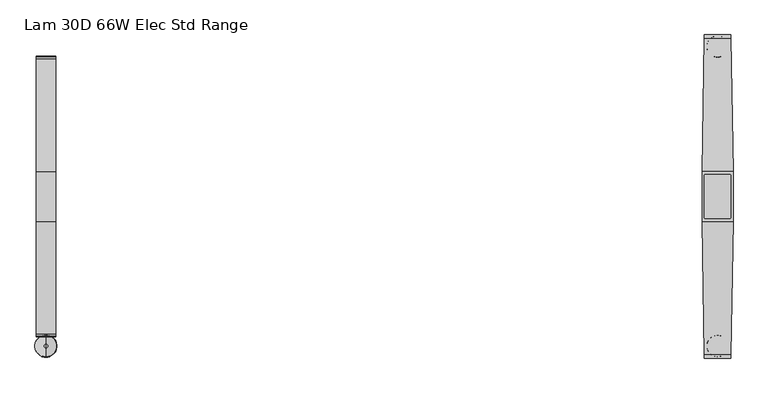
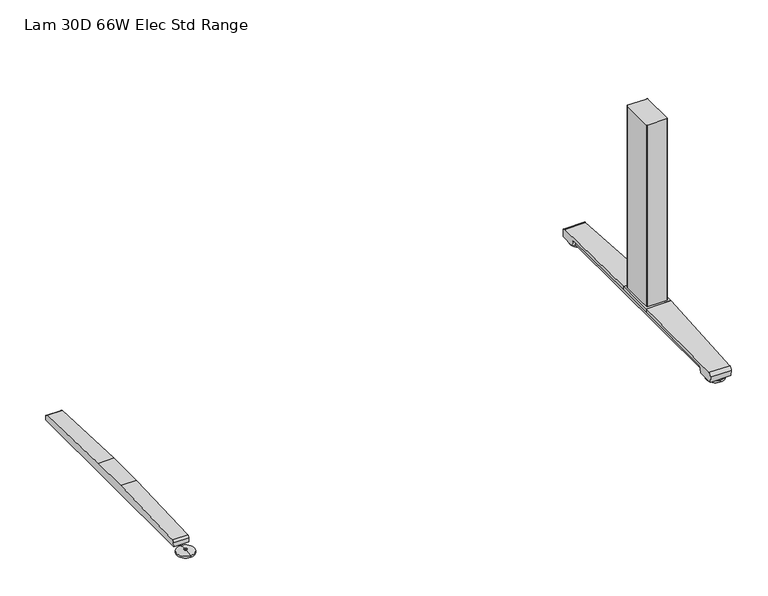
"""IFC4 building model written with IfcOpenShell, lengths in millimetres: furniture geometry, Lam 30D 66W Elec Std Range."""

from ifc_helpers import new_model, si_unit, point, frame, frame_2d, origin, place, context, project, spatial, polyline, circle_curve, ellipse_curve, trimmed, segment, composite_curve, outline, extrude, source, transform, mapped, element, save
from ifc_brep_helpers import plane_surface, cylinder_surface, revolved_surface, advanced_brep


def lam_30d_66w_elec_std_range_058907ba(model_context):
    return source(origin(), model_context, "Body", "SolidModel", [
        advanced_brep(
        [(-760.476, -364.1643617, 0.0), (-760.476, -313.9743384, 0.0), (-760.476, -339.06935, 0.0), (-760.476, -364.0796512, 5.0038001), (-760.476, -314.0590489, 5.0038001), (-760.476, -343.0698499, 8.4327997), (-760.476, -335.0688501, 8.4327997), (-760.476, -343.0698499, 10.0423733), (-760.476, -335.0688501, 10.0423733), (-760.476, -339.06935, 10.0423733)],
        [
            (0, 1, circle_curve(frame((-760.476, -339.06935, 0.0), z_axis=(0.0, 0.0, -1.0), x_axis=(0.0, 1.0, 0.0)), 25.0950117)),
            (1, 2),
            (2, 0),
            (1, 0, circle_curve(frame((-760.476, -339.06935, 0.0), z_axis=(0.0, 0.0, -1.0), x_axis=(0.0, 1.0, 0.0)), 25.0950117)),
            (3, 4, circle_curve(frame((-760.476, -339.06935, 5.0038001), z_axis=(0.0, 0.0, -1.0), x_axis=(0.0, 1.0, 0.0)), 25.0103012)),
            (4, 1),
            (0, 3),
            (4, 3, circle_curve(frame((-760.476, -339.06935, 5.0038001), z_axis=(0.0, 0.0, -1.0), x_axis=(0.0, 1.0, 0.0)), 25.0103012)),
            (5, 6, circle_curve(frame((-760.476, -339.06935, 8.4327997), z_axis=(0.0, 0.0, -1.0), x_axis=(0.0, 1.0, 0.0)), 4.0004999)),
            (6, 4, circle_curve(frame((-760.476, -335.0368668, -57.4502444), z_axis=(-1.0, 0.0, 0.0), x_axis=(0.0, 1.0, 0.0)), 65.8830518)),
            (3, 5, circle_curve(frame((-760.476, -343.1018333, -57.4502444), z_axis=(-1.0, 0.0, 0.0), x_axis=(0.0, -1.0, 0.0)), 65.8830518)),
            (6, 5, circle_curve(frame((-760.476, -339.06935, 8.4327997), z_axis=(0.0, 0.0, -1.0), x_axis=(0.0, 1.0, 0.0)), 4.0004999)),
            (7, 8, circle_curve(frame((-760.476, -339.06935, 10.0423733), z_axis=(0.0, 0.0, -1.0), x_axis=(0.0, 1.0, 0.0)), 4.0004999)),
            (8, 6),
            (5, 7),
            (8, 7, circle_curve(frame((-760.476, -339.06935, 10.0423733), z_axis=(0.0, 0.0, -1.0), x_axis=(0.0, 1.0, 0.0)), 4.0004999)),
            (9, 8),
            (7, 9),
        ],
        [
            plane_surface(frame((-760.476, -339.06935, 0.0), z_axis=(0.0, 0.0, -1.0), x_axis=(0.0, 1.0, 0.0))),
            revolved_surface(polyline([(-760.476, -313.9743384, 0.0), (-760.476, -314.0590489, 5.0038001)]), (-760.476, -339.06935, 0.0), (0.0, 0.0, 1.0)),
            revolved_surface(trimmed(ellipse_curve(frame((-760.476, -335.0368668, -57.4502444), z_axis=(1.0, 0.0, 0.0), x_axis=(0.0, 1.0, 0.0)), 65.8830518, 65.8830518), [point((-760.476, -314.0590489, 5.0038001))], [point((-760.476, -335.0688501, 8.4327997))], True, "CARTESIAN"), (-760.476, -339.06935, 0.0), (0.0, 0.0, 1.0)),
            cylinder_surface(frame((-760.476, -339.06935, 0.0), z_axis=(0.0, 0.0, 1.0), x_axis=(0.0, 1.0, 0.0)), 4.0004999),
            plane_surface(frame((-760.476, -339.06935, 10.0423733), z_axis=(0.0, 0.0, 1.0), x_axis=(0.0, 1.0, 0.0))),
        ],
        [
            (0, [[1, 2, 3]]),
            (0, [[4, -3, -2]]),
            (1, [[5, 6, -1, 7]]),
            (1, [[8, -7, -4, -6]]),
            (2, [[9, 10, -5, 11]]),
            (2, [[12, -11, -8, -10]]),
            (3, [[13, 14, -9, 15]]),
            (3, [[16, -15, -12, -14]]),
            (4, [[17, -13, 18]]),
            (4, [[-18, -16, -17]]),
        ],
    ),
        extrude(outline(composite_curve([segment(polyline([(317.3152602, 22.833301), (318.3038309, 11.5339019), (-318.3038309, 11.5339019), (-317.3152602, 22.833301)]), True, "CONTINUOUS"), segment(trimmed(circle_curve(frame_2d((-310.4929906, 22.2364289)), 6.8483297), [point((-317.3152602, 22.833301))], [point((-311.3603185, 29.0296138))], False, "CARTESIAN"), True, "CONTINUOUS"), segment(polyline([(-311.3603185, 29.0296138), (-56.1182127, 38.9541198), (56.1182127, 38.9541198), (311.3603185, 29.0296138)]), True, "CONTINUOUS"), segment(trimmed(circle_curve(frame_2d((310.4929906, 22.2364289)), 6.8483297), [point((311.3603185, 29.0296138))], [point((317.3152602, 22.833301))], False, "CARTESIAN"), True, "CONTINUOUS")], self_intersect=False)), frame((-782.4724, 0.0, 0.0), z_axis=(1.0, 0.0, 0.0), x_axis=(0.0, 1.0, 0.0)), (0.0, 0.0, 1.0), 43.9928),
        extrude(outline(composite_curve([segment(trimmed(circle_curve(frame_2d((788.0521079, 47.6421079)), 2.3323921), [point((788.0521079, 49.9745))], [point((790.3845, 47.6421079))], False, "CARTESIAN"), True, "CONTINUOUS"), segment(polyline([(790.3845, 47.6421079), (790.3845, -47.6421079)]), True, "CONTINUOUS"), segment(trimmed(circle_curve(frame_2d((788.0521079, -47.6421079)), 2.3323921), [point((790.3845, -47.6421079))], [point((788.0521079, -49.9745))], False, "CARTESIAN"), True, "CONTINUOUS"), segment(polyline([(788.0521079, -49.9745), (732.8998921, -49.9745)]), True, "CONTINUOUS"), segment(trimmed(circle_curve(frame_2d((732.8998921, -47.6421079)), 2.3323921), [point((732.8998921, -49.9745))], [point((730.5675, -47.6421079))], False, "CARTESIAN"), True, "CONTINUOUS"), segment(polyline([(730.5675, -47.6421079), (730.5675, 47.6421079)]), True, "CONTINUOUS"), segment(trimmed(circle_curve(frame_2d((732.8998921, 47.6421079)), 2.3323921), [point((730.5675, 47.6421079))], [point((732.8998921, 49.9745))], False, "CARTESIAN"), True, "CONTINUOUS"), segment(polyline([(732.8998921, 49.9745), (788.0521079, 49.9745)]), True, "CONTINUOUS")], self_intersect=False)), frame((0.0, 0.0, 48.10013), z_axis=(0.0, 0.0, 1.0), x_axis=(1.0, 0.0, 0.0)), (0.0, 0.0, 1.0), 550.9989485),
        advanced_brep(
        [(760.476, 314.8489737, 0.0), (760.476, 365.038997, 0.0), (760.476, 339.9439854, 0.0), (760.476, 314.9336842, 5.0038001), (760.476, 364.9542866, 5.0038001), (760.476, 335.9434855, 8.4327997), (760.476, 343.9444853, 8.4327997), (760.476, 335.9434855, 10.0423733), (760.476, 343.9444853, 10.0423733), (760.476, 339.9439854, 10.0423733)],
        [
            (0, 1, circle_curve(frame((760.476, 339.9439854, 0.0), z_axis=(0.0, 0.0, -1.0), x_axis=(0.0, 1.0, 0.0)), 25.0950117)),
            (1, 2),
            (2, 0),
            (1, 0, circle_curve(frame((760.476, 339.9439854, 0.0), z_axis=(0.0, 0.0, -1.0), x_axis=(0.0, 1.0, 0.0)), 25.0950117)),
            (3, 4, circle_curve(frame((760.476, 339.9439854, 5.0038001), z_axis=(0.0, 0.0, -1.0), x_axis=(0.0, 1.0, 0.0)), 25.0103012)),
            (4, 1),
            (0, 3),
            (4, 3, circle_curve(frame((760.476, 339.9439854, 5.0038001), z_axis=(0.0, 0.0, -1.0), x_axis=(0.0, 1.0, 0.0)), 25.0103012)),
            (5, 6, circle_curve(frame((760.476, 339.9439854, 8.4327997), z_axis=(0.0, 0.0, -1.0), x_axis=(0.0, 1.0, 0.0)), 4.0004999)),
            (6, 4, circle_curve(frame((760.476, 343.9764687, -57.4502444), z_axis=(-1.0, 0.0, 0.0), x_axis=(0.0, 1.0, 0.0)), 65.8830518)),
            (3, 5, circle_curve(frame((760.476, 335.9115021, -57.4502444), z_axis=(-1.0, 0.0, 0.0), x_axis=(0.0, -1.0, 0.0)), 65.8830518)),
            (6, 5, circle_curve(frame((760.476, 339.9439854, 8.4327997), z_axis=(0.0, 0.0, -1.0), x_axis=(0.0, 1.0, 0.0)), 4.0004999)),
            (7, 8, circle_curve(frame((760.476, 339.9439854, 10.0423733), z_axis=(0.0, 0.0, -1.0), x_axis=(0.0, 1.0, 0.0)), 4.0004999)),
            (8, 6),
            (5, 7),
            (8, 7, circle_curve(frame((760.476, 339.9439854, 10.0423733), z_axis=(0.0, 0.0, -1.0), x_axis=(0.0, 1.0, 0.0)), 4.0004999)),
            (9, 8),
            (7, 9),
        ],
        [
            plane_surface(frame((760.476, 339.9439854, 0.0), z_axis=(0.0, 0.0, -1.0), x_axis=(0.0, 1.0, 0.0))),
            revolved_surface(polyline([(760.476, 365.038997, 0.0), (760.476, 364.9542866, 5.0038001)]), (760.476, 339.9439854, 0.0), (0.0, 0.0, 1.0)),
            revolved_surface(trimmed(ellipse_curve(frame((760.476, 343.9764687, -57.4502444), z_axis=(1.0, 0.0, 0.0), x_axis=(0.0, 1.0, 0.0)), 65.8830518, 65.8830518), [point((760.476, 364.9542866, 5.0038001))], [point((760.476, 343.9444853, 8.4327997))], True, "CARTESIAN"), (760.476, 339.9439854, 0.0), (0.0, 0.0, 1.0)),
            cylinder_surface(frame((760.476, 339.9439854, 0.0), z_axis=(0.0, 0.0, 1.0), x_axis=(0.0, 1.0, 0.0)), 4.0004999),
            plane_surface(frame((760.476, 339.9439854, 10.0423733), z_axis=(0.0, 0.0, 1.0), x_axis=(0.0, 1.0, 0.0))),
        ],
        [
            (0, [[1, 2, 3]]),
            (0, [[4, -3, -2]]),
            (1, [[5, 6, -1, 7]]),
            (1, [[8, -7, -4, -6]]),
            (2, [[9, 10, -5, 11]]),
            (2, [[12, -11, -8, -10]]),
            (3, [[13, 14, -9, 15]]),
            (3, [[16, -15, -12, -14]]),
            (4, [[17, -13, 18]]),
            (4, [[-18, -16, -17]]),
        ],
    ),
        advanced_brep(
        [(760.476, -364.1643617, 0.0), (760.476, -313.9743384, 0.0), (760.476, -339.06935, 0.0), (760.476, -364.0796512, 5.0038001), (760.476, -314.0590489, 5.0038001), (760.476, -343.0698499, 8.4327997), (760.476, -335.0688501, 8.4327997), (760.476, -343.0698499, 10.0423733), (760.476, -335.0688501, 10.0423733), (760.476, -339.06935, 10.0423733)],
        [
            (0, 1, circle_curve(frame((760.476, -339.06935, 0.0), z_axis=(0.0, 0.0, -1.0), x_axis=(0.0, 1.0, 0.0)), 25.0950117)),
            (1, 2),
            (2, 0),
            (1, 0, circle_curve(frame((760.476, -339.06935, 0.0), z_axis=(0.0, 0.0, -1.0), x_axis=(0.0, 1.0, 0.0)), 25.0950117)),
            (3, 4, circle_curve(frame((760.476, -339.06935, 5.0038001), z_axis=(0.0, 0.0, -1.0), x_axis=(0.0, 1.0, 0.0)), 25.0103012)),
            (4, 1),
            (0, 3),
            (4, 3, circle_curve(frame((760.476, -339.06935, 5.0038001), z_axis=(0.0, 0.0, -1.0), x_axis=(0.0, 1.0, 0.0)), 25.0103012)),
            (5, 6, circle_curve(frame((760.476, -339.06935, 8.4327997), z_axis=(0.0, 0.0, -1.0), x_axis=(0.0, 1.0, 0.0)), 4.0004999)),
            (6, 4, circle_curve(frame((760.476, -335.0368668, -57.4502444), z_axis=(-1.0, 0.0, 0.0), x_axis=(0.0, 1.0, 0.0)), 65.8830518)),
            (3, 5, circle_curve(frame((760.476, -343.1018333, -57.4502444), z_axis=(-1.0, 0.0, 0.0), x_axis=(0.0, -1.0, 0.0)), 65.8830518)),
            (6, 5, circle_curve(frame((760.476, -339.06935, 8.4327997), z_axis=(0.0, 0.0, -1.0), x_axis=(0.0, 1.0, 0.0)), 4.0004999)),
            (7, 8, circle_curve(frame((760.476, -339.06935, 10.0423733), z_axis=(0.0, 0.0, -1.0), x_axis=(0.0, 1.0, 0.0)), 4.0004999)),
            (8, 6),
            (5, 7),
            (8, 7, circle_curve(frame((760.476, -339.06935, 10.0423733), z_axis=(0.0, 0.0, -1.0), x_axis=(0.0, 1.0, 0.0)), 4.0004999)),
            (9, 8),
            (7, 9),
        ],
        [
            plane_surface(frame((760.476, -339.06935, 0.0), z_axis=(0.0, 0.0, -1.0), x_axis=(0.0, 1.0, 0.0))),
            revolved_surface(polyline([(760.476, -313.9743384, 0.0), (760.476, -314.0590489, 5.0038001)]), (760.476, -339.06935, 0.0), (0.0, 0.0, 1.0)),
            revolved_surface(trimmed(ellipse_curve(frame((760.476, -335.0368668, -57.4502444), z_axis=(1.0, 0.0, 0.0), x_axis=(0.0, 1.0, 0.0)), 65.8830518, 65.8830518), [point((760.476, -314.0590489, 5.0038001))], [point((760.476, -335.0688501, 8.4327997))], True, "CARTESIAN"), (760.476, -339.06935, 0.0), (0.0, 0.0, 1.0)),
            cylinder_surface(frame((760.476, -339.06935, 0.0), z_axis=(0.0, 0.0, 1.0), x_axis=(0.0, 1.0, 0.0)), 4.0004999),
            plane_surface(frame((760.476, -339.06935, 10.0423733), z_axis=(0.0, 0.0, 1.0), x_axis=(0.0, 1.0, 0.0))),
        ],
        [
            (0, [[1, 2, 3]]),
            (0, [[4, -3, -2]]),
            (1, [[5, 6, -1, 7]]),
            (1, [[8, -7, -4, -6]]),
            (2, [[9, 10, -5, 11]]),
            (2, [[12, -11, -8, -10]]),
            (3, [[13, 14, -9, 15]]),
            (3, [[16, -15, -12, -14]]),
            (4, [[17, -13, 18]]),
            (4, [[-18, -16, -17]]),
        ],
    ),
        extrude(outline(polyline([(795.6068382, 56.1182127), (795.6068382, -56.1182127), (725.3451618, -56.1182127), (725.3451618, 56.1182127), (795.6068382, 56.1182127)])), frame((0.0, 0.0, 38.9541198), z_axis=(0.0, 0.0, 1.0), x_axis=(1.0, 0.0, 0.0)), (0.0, 0.0, 1.0), 9.1460102),
        advanced_brep(
        [(790.1505896, 366.395, 26.8186), (790.2822575, 358.907527, 35.7787117), (795.6068382, 56.1182127, 48.10013), (795.6068382, 56.1182127, 38.9541198), (791.11838, 311.3603185, 29.0296138), (791.0136618, 317.3152602, 22.833301), (790.9939845, 318.4342309, 10.0434261), (790.1760047, 364.9497362, 10.041053), (730.6701004, 358.907527, 35.7787117), (730.8017683, 366.395, 26.8186), (730.7763532, 364.9497362, 10.041053), (729.9583734, 318.4342309, 10.0434261), (729.9386962, 317.3152602, 22.833301), (729.8339779, 311.3603185, 29.0296138), (725.3455196, 56.1182064, 38.9541201), (725.3455197, 56.1182127, 48.10013)],
        [
            (0, 1, ellipse_curve(frame((790.295738, 358.1409412, 27.5296273), z_axis=(0.9998454179622464, 0.01758238265710797, 0.0), x_axis=(0.017582382657103067, -0.9998454179622465, 0.0)), 8.285908, 8.2846272)),
            (1, 2, ellipse_curve(frame((820.5288072, -1361.1024809, -38505.5680807), z_axis=(0.9998454179622464, 0.01758238265710797, 0.0), x_axis=(0.017582382657103067, -0.9998454179622465, 0.0)), 38585.6723619, 38579.7077101)),
            (2, 3),
            (3, 4),
            (4, 5, ellipse_curve(frame((791.1336321, 310.4929906, 22.2364289), z_axis=(-0.9998454179622464, -0.01758238265710797, 0.0), x_axis=(-0.017582382657103067, 0.9998454179622465, 0.0)), 6.8493884, 6.8483297)),
            (5, 6),
            (6, 7),
            (7, 0),
            (8, 9, ellipse_curve(frame((730.6566199, 358.1409412, 27.5296273), z_axis=(-0.999845417962248, 0.017582382657020928, 0.0), x_axis=(0.01758238265700388, 0.9998454179622482, 0.0)), 8.285908, 8.2846272)),
            (9, 10),
            (10, 11),
            (11, 12),
            (12, 13, ellipse_curve(frame((729.8187259, 310.4929906, 22.2364289), z_axis=(0.999845417962248, -0.017582382657020928, 0.0), x_axis=(-0.01758238265700388, -0.9998454179622482, 0.0)), 6.8493884, 6.8483297)),
            (13, 14),
            (14, 15),
            (15, 8, ellipse_curve(frame((700.4235507, -1361.1024809, -38505.5680807), z_axis=(-0.999845417962248, 0.017582382657020928, 0.0), x_axis=(0.01758238265700388, 0.9998454179622482, 0.0)), 38585.6723619, 38579.7077101)),
            (0, 9),
            (8, 1),
            (7, 10),
            (6, 11),
            (5, 12),
            (4, 13),
            (3, 14),
            (2, 15),
        ],
        [
            plane_surface(frame((790.1226732, 367.9825, 48.10013), z_axis=(0.9998454179622464, 0.01758238265710797, 0.0), x_axis=(0.0, 0.0, -1.0))),
            plane_surface(frame((725.3455197, 56.1182127, 48.10013), z_axis=(-0.999845417962248, 0.017582382657020928, 0.0), x_axis=(0.0, 0.0, -1.0))),
            cylinder_surface(frame((725.3451618, 358.1409412, 27.5296273), z_axis=(1.0, 0.0, 0.0), x_axis=(0.0, 1.0, 0.0)), 8.2846272),
            plane_surface(frame((795.6068382, 364.9497362, 10.041053), z_axis=(0.0, 0.996310236870306, -0.08582489095498451), x_axis=(-1.0, 0.0, 0.0))),
            plane_surface(frame((795.6068382, 318.4342309, 10.0434261), z_axis=(0.0, -5.101798419271786e-05, -0.9999999986985827), x_axis=(-1.0, 0.0, 0.0))),
            plane_surface(frame((795.6068382, 317.3152602, 22.833301), z_axis=(0.0, -0.9961946873837872, -0.08715586514009506), x_axis=(-1.0, 0.0, 0.0))),
            revolved_surface(polyline([(729.6982973321848, 317.3413203, 22.2364289), (791.2540606678159, 317.3413203, 22.2364289)]), (725.3451618, 310.4929906, 22.2364289), (-1.0, 0.0, 0.0)),
            plane_surface(frame((795.6068382, 56.1182127, 38.9541198), z_axis=(0.0, -0.03885335543744915, -0.9992449233152257), x_axis=(-1.0, 0.0, 0.0))),
            plane_surface(frame((795.6068382, 56.1182127, 48.10013), z_axis=(0.0, -1.0, 0.0), x_axis=(-1.0, 0.0, 0.0))),
            cylinder_surface(frame((725.3451618, -1361.1024809, -38505.5680807), z_axis=(1.0, 0.0, 0.0), x_axis=(0.0, 1.0, 0.0)), 38579.7077101),
        ],
        [
            (0, [[1, 2, 3, 4, 5, 6, 7, 8]]),
            (1, [[9, 10, 11, 12, 13, 14, 15, 16]]),
            (2, [[17, -9, 18, -1]]),
            (3, [[-17, -8, 19, -10]]),
            (4, [[-19, -7, 20, -11]]),
            (5, [[-20, -6, 21, -12]]),
            (6, [[-21, -5, 22, -13]]),
            (7, [[23, -14, -22, -4]]),
            (8, [[-23, -3, 24, -15]]),
            (9, [[-24, -2, -18, -16]]),
        ],
    ),
        extrude(outline(composite_curve([segment(polyline([(317.3152602, 22.833301), (318.3038309, 11.5339019), (-318.3038309, 11.5339019), (-317.3152602, 22.833301)]), True, "CONTINUOUS"), segment(trimmed(circle_curve(frame_2d((-310.4929906, 22.2364289)), 6.8483297), [point((-317.3152602, 22.833301))], [point((-311.3603185, 29.0296138))], False, "CARTESIAN"), True, "CONTINUOUS"), segment(polyline([(-311.3603185, 29.0296138), (-56.1182127, 38.9541198), (56.1182127, 38.9541198), (311.3603185, 29.0296138)]), True, "CONTINUOUS"), segment(trimmed(circle_curve(frame_2d((310.4929906, 22.2364289)), 6.8483297), [point((311.3603185, 29.0296138))], [point((317.3152602, 22.833301))], False, "CARTESIAN"), True, "CONTINUOUS")], self_intersect=False)), frame((738.4796, 0.0, 0.0), z_axis=(1.0, 0.0, 0.0), x_axis=(0.0, 1.0, 0.0)), (0.0, 0.0, 1.0), 43.9928),
        advanced_brep(
        [(790.2822575, -358.907527, 35.7787117), (730.6701004, -358.907527, 35.7787117), (730.8017683, -366.395, 26.8186), (790.1505896, -366.395, 26.8186), (730.7763532, -364.9497362, 10.041053), (790.1760047, -364.9497362, 10.041053), (729.9583734, -318.4342309, 10.0434261), (790.9939845, -318.4342309, 10.0434261), (729.9386962, -317.3152602, 22.833301), (791.0136618, -317.3152602, 22.833301), (729.8339779, -311.3603185, 29.0296138), (791.11838, -311.3603185, 29.0296138), (725.3451618, -56.1182127, 38.9541198), (795.6068382, -56.1182127, 38.9541198), (725.3455197, -56.1182127, 48.10013), (795.6068382, -56.1182127, 48.10013)],
        [
            (0, 1),
            (1, 2, ellipse_curve(frame((730.6566199, -358.1409412, 27.5296273), z_axis=(0.9998454179622465, 0.017582382657103254, 0.0), x_axis=(0.017582382657095153, -0.9998454179622466, 0.0)), 8.285908, 8.2846272)),
            (2, 3),
            (3, 0, ellipse_curve(frame((790.295738, -358.1409412, 27.5296273), z_axis=(-0.9998454179622464, 0.017582382657105877, 0.0), x_axis=(0.017582382657108358, 0.9998454179622465, 0.0)), 8.285908, 8.2846272)),
            (2, 4),
            (4, 5),
            (5, 3),
            (4, 6),
            (6, 7),
            (7, 5),
            (6, 8),
            (8, 9),
            (9, 7),
            (8, 10, ellipse_curve(frame((729.8187259, -310.4929906, 22.2364289), z_axis=(-0.9998454179622465, -0.017582382657103254, 0.0), x_axis=(-0.017582382657095153, 0.9998454179622466, 0.0)), 6.8493884, 6.8483297)),
            (10, 11),
            (11, 9, ellipse_curve(frame((791.1336321, -310.4929906, 22.2364289), z_axis=(0.9998454179622464, -0.017582382657105877, 0.0), x_axis=(-0.017582382657108358, -0.9998454179622465, 0.0)), 6.8493884, 6.8483297)),
            (12, 13),
            (13, 11),
            (10, 12),
            (12, 14),
            (14, 15),
            (15, 13),
            (15, 0, ellipse_curve(frame((820.5288072, 1361.1024809, -38505.568082), z_axis=(0.9998454179622464, -0.017582382657105877, 0.0), x_axis=(0.017582382657108358, 0.9998454179622465, 0.0)), 38585.6723633, 38579.7077114)),
            (1, 14, ellipse_curve(frame((700.4235507, 1361.1024809, -38505.568082), z_axis=(-0.9998454179622465, -0.017582382657103254, 0.0), x_axis=(0.017582382657095153, -0.9998454179622466, 0.0)), 38585.6723633, 38579.7077114)),
        ],
        [
            cylinder_surface(frame((725.3451618, -358.1409412, 27.5296273), z_axis=(1.0, 0.0, 0.0), x_axis=(0.0, 1.0, 0.0)), 8.2846272),
            plane_surface(frame((795.6068382, -366.395, 26.8186), z_axis=(0.0, -0.9963102368705579, -0.08582489095206026), x_axis=(-1.0, 0.0, 0.0))),
            plane_surface(frame((795.6068382, -364.9497362, 10.041053), z_axis=(0.0, 5.10179839128194e-05, -0.9999999986985827), x_axis=(-1.0, 0.0, 0.0))),
            plane_surface(frame((795.6068382, -318.4342309, 10.0434261), z_axis=(0.0, 0.9961946873837977, -0.08715586513997582), x_axis=(-1.0, 0.0, 0.0))),
            revolved_surface(polyline([(729.6982973321841, -303.64466089999996, 22.2364289), (791.254060667816, -303.64466089999996, 22.2364289)]), (725.3451618, -310.4929906, 22.2364289), (-1.0, 0.0, 0.0)),
            plane_surface(frame((795.6068382, -311.3603185, 29.0296138), z_axis=(0.0, 0.03885335543746911, -0.999244923315225), x_axis=(-1.0, 0.0, 0.0))),
            plane_surface(frame((795.6068382, -56.1182127, 38.9541198), z_axis=(0.0, 1.0, 0.0), x_axis=(-1.0, 0.0, 0.0))),
            plane_surface(frame((795.6068382, -56.1182127, 48.10013), z_axis=(0.9998454179622464, -0.017582382657105877, 0.0), x_axis=(0.0, 0.0, -1.0))),
            plane_surface(frame((730.8296847, -367.9825, 48.10013), z_axis=(-0.9998454179622465, -0.017582382657103254, 0.0), x_axis=(0.0, 0.0, -1.0))),
            cylinder_surface(frame((725.3451618, 1361.1024809, -38505.568082), z_axis=(1.0, 0.0, 0.0), x_axis=(0.0, 1.0, 0.0)), 38579.7077114),
        ],
        [
            (0, [[1, 2, 3, 4]]),
            (1, [[-3, 5, 6, 7]]),
            (2, [[-6, 8, 9, 10]]),
            (3, [[-9, 11, 12, 13]]),
            (4, [[-12, 14, 15, 16]]),
            (5, [[17, 18, -15, 19]]),
            (6, [[-17, 20, 21, 22]]),
            (7, [[-4, -7, -10, -13, -16, -18, -22, 23]]),
            (8, [[-2, 24, -20, -19, -14, -11, -8, -5]]),
            (9, [[-21, -24, -1, -23]]),
        ],
    ),
    ])


if __name__ == "__main__":
    model = new_model("IFC4")
    model_context = context("Model", 3, world=origin())
    ifc_project = project(units=[si_unit("LENGTHUNIT", "METRE", prefix="MILLI")], contexts=[model_context])
    site = spatial("IfcSite", under=ifc_project)
    building = spatial("IfcBuilding", under=site)
    placement = place(None, origin())
    lam_30d_66w_elec_std_range_shape = lam_30d_66w_elec_std_range_058907ba(model_context)
    element("IfcFurniture", 1, ObjectType="Lam 30D 66W Elec Std Range", at=placement, inside=building, context=model_context, shape_type="MappedRepresentation", body=[
        mapped(lam_30d_66w_elec_std_range_shape, transform((0.0, 0.0, 0.0), x_axis=(1.0, 0.0, 0.0), y_axis=(0.0, 1.0, 0.0), z_axis=(0.0, 0.0, 1.0))),
    ])
    save(model, "model.ifc")
